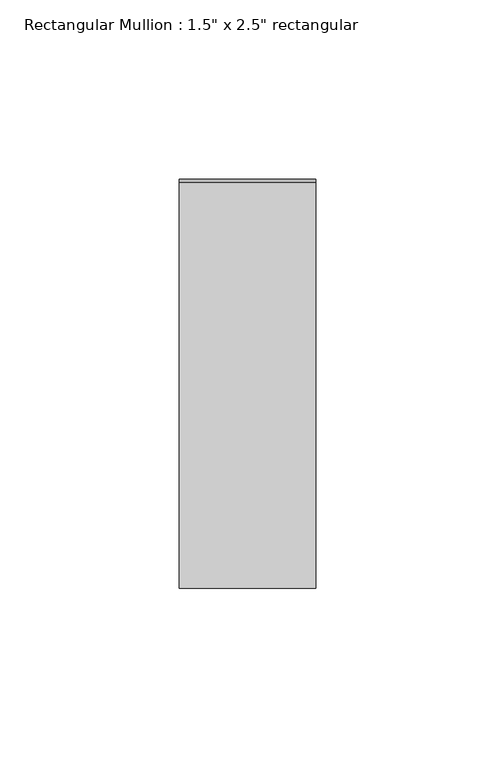
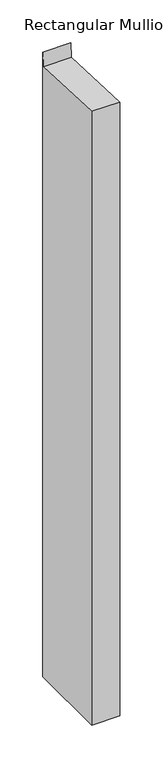
"""IFC4 building model written with IfcOpenShell, lengths in millimetres: member geometry."""

from ifc_helpers import new_model, si_unit, frame, origin, place, context, project, spatial, polyline, outline, extrude, source, transform, mapped, element, save


def member_f152665a(model_context):
    return source(origin(), model_context, "Body", "SweptSolid", [
        extrude(outline(polyline([(-57.15, 2.4770742), (56.2646565, -2.4747166), (57.15, 17.8029826), (57.15, -873.5132488), (-57.15, -873.5132488), (-57.15, 2.4770742)])), frame((-38.1, 0.0, 0.0), z_axis=(1.0, 0.0, 0.0), x_axis=(0.0, 1.0, 0.0)), (0.0, 0.0, 1.0), 38.1),
    ])


if __name__ == "__main__":
    model = new_model("IFC4")
    model_context = context("Model", 3, world=origin())
    ifc_project = project(units=[si_unit("LENGTHUNIT", "METRE", prefix="MILLI")], contexts=[model_context])
    site = spatial("IfcSite", under=ifc_project)
    building = spatial("IfcBuilding", under=site)
    placement = place(None, origin())
    member_shape = member_f152665a(model_context)
    element("IfcMember", 1, ObjectType="Rectangular Mullion : 1.5\" x 2.5\" rectangular", at=placement, inside=building, context=model_context, shape_type="MappedRepresentation", body=[
        mapped(member_shape, transform((0.0, 0.0, 0.0), x_axis=(1.0, 0.0, 0.0), y_axis=(0.0, 1.0, 0.0), z_axis=(0.0, 0.0, 1.0))),
    ])
    save(model, "model.ifc")
